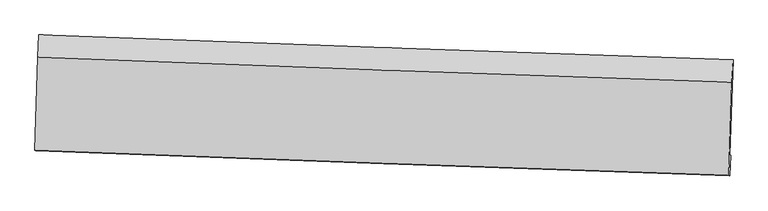
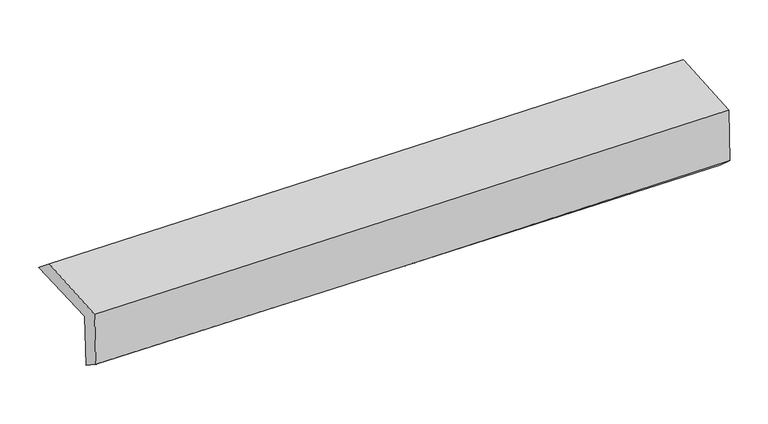
"""IFC4 building model written with IfcOpenShell, lengths in millimetres: proxy geometry."""

from ifc_helpers import new_model, si_unit, frame, origin, place, context, project, spatial, source, transform, mapped, element, save
from ifc_brep_helpers import plane_surface, spline_curve, spline_surface, advanced_brep


def generic_models_ec41027a(model_context):
    return source(origin(), model_context, "Body", "AdvancedBrep", [
        advanced_brep(
        [(-2441.4938634, -1710.0704489, 2010.9175569), (-2419.7258833, -1046.2295277, 2001.5966008), (2430.1358766, -1219.2927637, 2072.7654394), (2407.7498545, -1883.1561206, 2082.0764081), (-2434.6832125, -1714.2253085, 1606.2912936), (2414.7708639, -1887.43931, 1664.9525738), (-2440.9655898, -1856.9929805, 1701.554116), (2407.8501291, -2029.8945829, 1790.2072743), (-2447.8964149, -1852.7648083, 2113.3200318), (2400.8351606, -2025.6150787, 2206.9722185), (-2427.0665643, -1203.3562707, 2131.282729), (2422.2679466, -1376.2264469, 2224.9452687)],
        [
            (0, 1),
            (1, 2, spline_curve(3, [(-2419.7258833, -1046.2295277, 2001.5966008), (-1607.981870814, -1076.647745237, 2003.670837299), (-796.2903009, -1106.335193943, 2010.683375759), (820.329429051, -1164.010998222, 2034.48701552), (1625.258445564, -1192.011294936, 2051.197423038), (2430.1358766, -1219.2927637, 2072.7654394)], [4, 2, 4], [0.0, 7.994191056581541, 15.922799360976619])),
            (2, 3),
            (3, 0, spline_curve(3, [(2407.7498545, -1883.1561206, 2082.0764081), (1602.975278921, -1855.888307806, 2060.510307289), (798.148982217, -1827.893013068, 2043.801686791), (-818.264731125, -1770.209873685, 2020.00137861), (-1629.853007156, -1740.509944842, 2012.990381891), (-2441.4938634, -1710.0704489, 2010.9175569)], [4, 2, 4], [0.0, 7.928608304395078, 15.922799360976619])),
            (4, 0),
            (3, 5),
            (5, 4, spline_curve(3, [(2414.7708639, -1887.43931, 1664.9525738), (1609.89125341, -1860.10742031, 1649.626679266), (804.994837341, -1832.069348779, 1637.083916001), (-811.489575847, -1774.34307933, 1617.48392324), (-1623.077851465, -1744.643150293, 1610.472926478), (-2434.6832125, -1714.2253085, 1606.2912936)], [4, 2, 4], [0.0, 7.928071218081544, 15.921720745754175])),
            (6, 4),
            (5, 7),
            (7, 6, spline_curve(3, [(2407.8501291, -2029.8945829, 1790.2072743), (1603.021480387, -2002.580901898, 1773.181329397), (798.203409159, -1974.577791363, 1757.30626234), (-818.068672917, -1916.955376502, 1727.736091578), (-1629.52250781, -1887.324619677, 1714.060105785), (-2440.9655898, -1856.9929805, 1701.554116)], [4, 2, 4], [0.0, 7.927842325075858, 15.921261066417681])),
            (8, 6),
            (7, 9),
            (9, 8, spline_curve(3, [(2400.8351606, -2025.6150787, 2206.9722185), (1595.992660368, -1998.292947588, 2190.769206265), (791.174588933, -1970.289836895, 2174.894139477), (-825.069675115, -1912.684392467, 2143.67129602), (-1636.495462344, -1883.070746255, 2128.328967384), (-2447.8964149, -1852.7648083, 2113.3200318)], [4, 2, 4], [0.0, 7.927701954314662, 15.92097916379608])),
            (10, 8),
            (9, 11),
            (11, 10, spline_curve(3, [(2422.2679466, -1376.2264469, 2224.9452687), (1617.324548043, -1348.90093813, 2208.740523335), (812.405988147, -1320.894486639, 2192.863730805), (-804.039261547, -1263.28240599, 2161.637436479), (-1615.565538688, -1233.66546546, 2146.29338239), (-2427.0665643, -1203.3562707, 2131.282729)], [4, 2, 4], [0.0, 7.928200296574507, 15.921979970433508])),
            (1, 10),
            (11, 2),
        ],
        [
            spline_surface(3, 3, [[(-2441.4938634, -1710.0704489, 2010.9175569), (-1629.853007088, -1740.509944783, 2012.990381892), (-818.264731181, -1770.209873813, 2020.001378564), (798.148982272, -1827.893012941, 2043.801686836), (1602.975278998, -1855.888307865, 2060.51030723), (2407.7498545, -1883.1561206, 2082.0764081)], [(-2434.237870038, -1488.790141808, 2007.810571543), (-1622.562628356, -1519.222544929, 2009.883867002), (-810.939921033, -1548.918313829, 2016.895377658), (805.5424645, -1606.599008032, 2040.696796354), (1610.403001139, -1634.595970241, 2057.406012477), (2415.211861846, -1661.868334972, 2078.972751881)], [(-2426.981876662, -1267.509834792, 2004.703586157), (-1615.272249611, -1297.935145151, 2006.777352083), (-803.615110919, -1327.62675389, 2013.789376775), (812.935946695, -1385.305003168, 2037.591905894), (1617.83072334, -1413.3036326, 2054.30171768), (2422.673869254, -1440.580549328, 2075.869095619)], [(-2419.7258833, -1046.2295277, 2001.5966008), (-1607.981870879, -1076.647745296, 2003.670837194), (-796.290300771, -1106.335193906, 2010.683375868), (820.329428923, -1164.010998258, 2034.487015411), (1625.25844548, -1192.011294975, 2051.197422927), (2430.1358766, -1219.2927637, 2072.7654394)]], [4, 4], [4, 2, 4], [0.0, 2.179496759440985], [0.0, 7.994191056581541, 15.922799360976619]),
            spline_surface(3, 3, [[(-2434.6832125, -1714.2253085, 1606.2912936), (-1623.077851546, -1744.643150325, 1610.472926487), (-811.489575739, -1774.343079255, 1617.48392326), (804.994837234, -1832.069348854, 1637.083915981), (1609.89125353, -1860.107420404, 1649.62667927), (2414.7708639, -1887.43931, 1664.9525738)], [(-2436.953429442, -1712.840355317, 1741.166714679), (-1625.336236702, -1743.265415161, 1744.645411601), (-813.747960895, -1772.965344091, 1751.656408374), (802.712885571, -1830.677236866, 1772.656506278), (1607.585928696, -1858.701049538, 1786.587888567), (2412.430527443, -1886.01158018, 1803.993851876)], [(-2439.223646458, -1711.455402083, 1876.042135821), (-1627.594621932, -1741.887679947, 1878.817896778), (-816.006346025, -1771.587608977, 1885.828893451), (800.430933934, -1829.285124929, 1908.229096539), (1605.280603833, -1857.294678732, 1923.549097934), (2410.090190957, -1884.58385042, 1943.035130024)], [(-2441.4938634, -1710.0704489, 2010.9175569), (-1629.853007088, -1740.509944783, 2012.990381892), (-818.264731181, -1770.209873813, 2020.001378564), (798.148982272, -1827.893012941, 2043.801686836), (1602.975278998, -1855.888307865, 2060.51030723), (2407.7498545, -1883.1561206, 2082.0764081)]], [4, 4], [4, 2, 4], [0.0, 1.327687194207437], [0.0, 7.993649527672631, 15.921720745754175]),
            spline_surface(3, 3, [[(-2440.9655898, -1856.9929805, 1701.554116), (-1629.522507836, -1887.324619556, 1714.060105658), (-818.068672888, -1916.955376519, 1727.736091528), (798.20340913, -1974.577791346, 1757.30626239), (1603.02148046, -2002.580901883, 1773.181329275), (2407.8501291, -2029.8945829, 1790.2072743)], [(-2438.871464047, -1809.403756482, 1669.799841883), (-1627.374289087, -1839.764129795, 1679.53104595), (-815.875640515, -1869.417944096, 1690.985368753), (800.467218488, -1927.07497718, 1717.232146902), (1605.311404807, -1955.089741398, 1731.996445953), (2410.15704069, -1982.409491942, 1748.45570748)], [(-2436.777338253, -1761.814532518, 1638.045567717), (-1625.226070295, -1792.203640087, 1645.001986194), (-813.682608112, -1821.880511678, 1654.234646034), (802.731027876, -1879.572163019, 1677.158031469), (1607.601329183, -1907.598580889, 1690.811562592), (2412.46395231, -1934.924400958, 1706.70414062)], [(-2434.6832125, -1714.2253085, 1606.2912936), (-1623.077851546, -1744.643150325, 1610.472926487), (-811.489575739, -1774.343079255, 1617.48392326), (804.994837234, -1832.069348854, 1637.083915981), (1609.89125353, -1860.107420404, 1649.62667927), (2414.7708639, -1887.43931, 1664.9525738)]], [4, 4], [4, 2, 4], [0.0, 0.6017314896338746], [0.0, 7.993418741341824, 15.921261066417681]),
            spline_surface(3, 3, [[(-2447.8964149, -1852.7648083, 2113.3200318), (-1636.495462407, -1883.070746137, 2128.328967319), (-825.069675247, -1912.684392409, 2143.671296091), (791.174589064, -1970.289836953, 2174.894139407), (1595.992660394, -1998.29294749, 2190.769206192), (2400.8351606, -2025.6150787, 2206.9722185)], [(-2445.586139856, -1854.174199058, 1976.06472652), (-1634.171144206, -1884.488703968, 1990.239346751), (-822.736007777, -1914.108053792, 2005.026227924), (793.517529103, -1971.719155097, 2035.698180422), (1598.335600433, -1999.722265634, 2051.573247207), (2403.17348345, -2027.041580113, 2068.050570421)], [(-2443.275864844, -1855.583589742, 1838.80942128), (-1631.846826038, -1885.906661725, 1852.149726225), (-820.402340358, -1915.531715136, 1866.381159695), (795.860469091, -1973.148473202, 1896.502221375), (1600.678540421, -2001.151583739, 1912.37728826), (2405.51180625, -2028.468081487, 1929.128922379)], [(-2440.9655898, -1856.9929805, 1701.554116), (-1629.522507836, -1887.324619556, 1714.060105658), (-818.068672888, -1916.955376519, 1727.736091528), (798.20340913, -1974.577791346, 1757.30626239), (1603.02148046, -2002.580901883, 1773.181329275), (2407.8501291, -2029.8945829, 1790.2072743)]], [4, 4], [4, 2, 4], [0.0, 1.3675711654721503], [0.0, 7.993277209481418, 15.92097916379608]),
            spline_surface(3, 3, [[(-2427.0665643, -1203.3562707, 2131.282729), (-1615.565538571, -1233.665465526, 2146.293382391), (-804.039261491, -1263.282406094, 2161.637436426), (812.405988091, -1320.894486536, 2192.863730857), (1617.324547975, -1348.900938001, 2208.740523391), (2422.2679466, -1376.2264469, 2224.9452687)], [(-2434.009847852, -1419.825783228, 2125.295163264), (-1622.542179868, -1450.133892391, 2140.305244031), (-811.049399418, -1479.749734858, 2155.648722976), (805.328855074, -1537.359603335, 2186.873867036), (1610.213918766, -1565.364941137, 2202.750084328), (2415.123684585, -1592.68932414, 2218.95425197)], [(-2440.953131348, -1636.295295772, 2119.307597536), (-1629.51882111, -1666.602319272, 2134.317105679), (-818.05953732, -1696.217063645, 2149.66000954), (798.251722082, -1753.824720155, 2180.884003228), (1603.103289603, -1781.828944354, 2196.759645255), (2407.979422615, -1809.15220146, 2212.96323523)], [(-2447.8964149, -1852.7648083, 2113.3200318), (-1636.495462407, -1883.070746137, 2128.328967319), (-825.069675247, -1912.684392409, 2143.671296091), (791.174589064, -1970.289836953, 2174.894139407), (1595.992660394, -1998.29294749, 2190.769206192), (2400.8351606, -2025.6150787, 2206.9722185)]], [4, 4], [4, 2, 4], [0.0, 2.13251562127533], [0.0, 7.9937796738590015, 15.921979970433508]),
            spline_surface(3, 3, [[(-2419.7258833, -1046.2295277, 2001.5966008), (-1607.981870879, -1076.647745296, 2003.670837194), (-796.290300771, -1106.335193906, 2010.683375868), (820.329428923, -1164.010998258, 2034.487015411), (1625.25844548, -1192.011294975, 2051.197422927), (2430.1358766, -1219.2927637, 2072.7654394)], [(-2422.172776966, -1098.605108707, 2044.825310211), (-1610.509760109, -1128.98698538, 2051.211685604), (-798.873287679, -1158.65093133, 2061.001396052), (817.688281978, -1216.305494379, 2087.279253891), (1622.613812997, -1244.307842671, 2103.711789754), (2427.513233285, -1271.603991454, 2123.492049172)], [(-2424.619670634, -1150.980689693, 2088.054019589), (-1613.037649341, -1181.326225443, 2098.75253398), (-801.456274583, -1210.96666867, 2111.319416242), (815.047135037, -1268.599990416, 2140.071492377), (1619.969180458, -1296.604390305, 2156.226156564), (2424.890589915, -1323.915219146, 2174.218658928)], [(-2427.0665643, -1203.3562707, 2131.282729), (-1615.565538571, -1233.665465526, 2146.293382391), (-804.039261491, -1263.282406094, 2161.637436426), (812.405988091, -1320.894486536, 2192.863730857), (1617.324547975, -1348.900938001, 2208.740523391), (2422.2679466, -1376.2264469, 2224.9452687)]], [4, 4], [4, 2, 4], [0.0, 0.7232429732526395], [0.0, 7.994428793784984, 15.923272885034807]),
            plane_surface(frame((2413.9349719, -1736.9373838, 2006.9865305), z_axis=(0.9992927950208592, -0.03345625365650333, 0.017163592592198237), x_axis=(0.016828683638406398, -0.010266392847762582, -0.9998056794122016))),
            plane_surface(frame((-2435.3052547, -1563.9398908, 1927.4937214), z_axis=(-0.9993235989263675, 0.032527912090659084, -0.0171545785105756), x_axis=(-0.03277011683866492, -0.9993644088840886, 0.014032024021381094))),
        ],
        [
            (0, [[1, 2, 3, 4]]),
            (1, [[5, -4, 6, 7]]),
            (2, [[8, -7, 9, 10]]),
            (3, [[11, -10, 12, 13]]),
            (4, [[14, -13, 15, 16]]),
            (5, [[17, -16, 18, -2]]),
            (6, [[-12, -9, -6, -3, -18, -15]]),
            (7, [[-1, -5, -8, -11, -14, -17]]),
        ],
    ),
    ])


if __name__ == "__main__":
    model = new_model("IFC4")
    model_context = context("Model", 3, world=origin())
    ifc_project = project(units=[si_unit("LENGTHUNIT", "METRE", prefix="MILLI")], contexts=[model_context])
    site = spatial("IfcSite", under=ifc_project)
    building = spatial("IfcBuilding", under=site)
    placement = place(None, origin())
    generic_models_shape = generic_models_ec41027a(model_context)
    element("IfcBuildingElementProxy", 1, Name="Generic Models", at=placement, inside=building, context=model_context, shape_type="MappedRepresentation", body=[
        mapped(generic_models_shape, transform((0.0, 0.0, 0.0), x_axis=(1.0, 0.0, 0.0), y_axis=(0.0, 1.0, 0.0), z_axis=(0.0, 0.0, 1.0))),
    ])
    save(model, "model.ifc")
